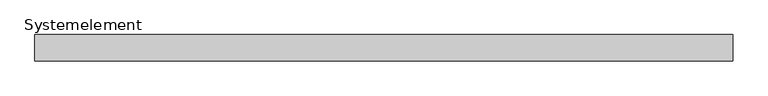
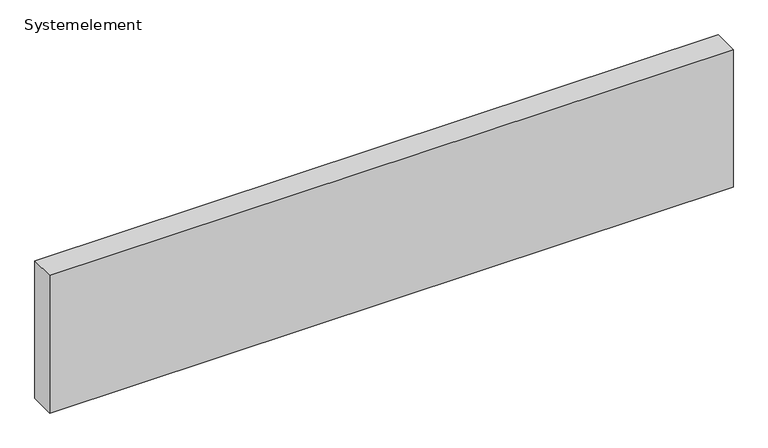
"""IFC4 building model written with IfcOpenShell, lengths in millimetres: plate geometry, Systemelement."""

import ifcopenshell
import ifcopenshell.guid

model = None  # the IFC model being written
_history = None  # IfcOwnerHistory: only IFC2X3 demands one
_inside = {}  # id of a spatial element -> (the spatial element, [elements in it])
_under = {}  # id of a project, library or spatial element -> (it, [spatial elements below it])
_declared = {}  # id of a project -> (the project, [libraries it declares])
_typed = {}  # id of a type object -> (the type object, [elements of that type])
_made_of = {}  # id of a material, layer set ... -> (it, [elements and type objects made of it])


def new_model(schema):
    """Start an empty IFC model of exactly this schema.

    Asked for "IFC4X3", IfcOpenShell would pick the latest addendum, in which some entities
    have other attributes; the version numbers below select the first issue.
    IFC2X3 requires an IfcOwnerHistory on every rooted entity: one is made here for all.
    """
    global model, _history
    if schema == "IFC4X3":
        model = ifcopenshell.file(schema_version=(4, 3, 0, 0))
    else:
        model = ifcopenshell.file(schema=schema)
    _inside.clear()
    _under.clear()
    _declared.clear()
    _typed.clear()
    _made_of.clear()
    _history = None
    if model.schema == "IFC2X3":
        org = make("IfcOrganization", Name="unknown")
        user = make(
            "IfcPersonAndOrganization",
            ThePerson=make("IfcPerson", FamilyName="unknown"),
            TheOrganization=org,
        )
        app = make(
            "IfcApplication",
            ApplicationDeveloper=org,
            Version="unknown",
            ApplicationFullName="unknown",
            ApplicationIdentifier="unknown",
        )
        _history = make(
            "IfcOwnerHistory",
            OwningUser=user,
            OwningApplication=app,
            ChangeAction="ADDED",
            CreationDate=0,
        )
    return model


def make(cls, **values):
    """One entity of the class cls with the attributes given. An attribute that is None is left unset."""
    return model.create_entity(
        cls, **{name: value for name, value in values.items() if value is not None}
    )


def rooted(cls, **values):
    """An entity with a GlobalId (a new one), such as an element, a storey or a relation."""
    return make(cls, GlobalId=ifcopenshell.guid.new(), OwnerHistory=_history, **values)


def si_unit(unit_type, name, prefix=None):
    """IfcSIUnit, for example si_unit("LENGTHUNIT", "METRE", prefix="MILLI")."""
    return make("IfcSIUnit", UnitType=unit_type, Prefix=prefix, Name=name)


def assignment(units):
    """IfcUnitAssignment: the units of a project."""
    return None if units is None else make("IfcUnitAssignment", Units=units)


def point(xyz):
    """IfcCartesianPoint."""
    return None if xyz is None else make("IfcCartesianPoint", Coordinates=xyz)


def direction(xyz):
    """IfcDirection."""
    return None if xyz is None else make("IfcDirection", DirectionRatios=xyz)


def frame(location, z_axis=None, x_axis=None):
    """IfcAxis2Placement3D, a coordinate frame: its origin and axes. An axis left out is left unset."""
    return make(
        "IfcAxis2Placement3D",
        Location=point(location),
        Axis=direction(z_axis),
        RefDirection=direction(x_axis),
    )


def origin():
    """The frame at (0, 0, 0) with its axes left unset."""
    return frame((0.0, 0.0, 0.0))


def origin_with_axes():
    """The frame at (0, 0, 0) with the z axis (0, 0, 1) and the x axis (1, 0, 0) written out."""
    return frame((0.0, 0.0, 0.0), z_axis=(0.0, 0.0, 1.0), x_axis=(1.0, 0.0, 0.0))


def place(relative_to, where):
    """IfcLocalPlacement: puts the frame where relative to a parent placement (None: the world)."""
    return make(
        "IfcLocalPlacement", PlacementRelTo=relative_to, RelativePlacement=where
    )


def context(
    kind, dimensions, precision=None, world=None, true_north=None, identifier=None
):
    """IfcGeometricRepresentationContext, for example the 3D "Model" context."""
    return make(
        "IfcGeometricRepresentationContext",
        ContextIdentifier=identifier,
        ContextType=kind,
        CoordinateSpaceDimension=dimensions,
        Precision=precision,
        WorldCoordinateSystem=world,
        TrueNorth=true_north,
    )


def project(units=None, contexts=None):
    """IfcProject with its units and contexts."""
    return rooted(
        "IfcProject",
        Name="project",
        RepresentationContexts=contexts,
        UnitsInContext=assignment(units),
    )


def spatial(cls, under=None, at=None, **own):
    """A site, building, storey or space (cls), placed at a placement, below another one or the project."""
    s = rooted(cls, ObjectPlacement=at, **own)
    if under is not None:
        _under.setdefault(under.id(), (under, []))[1].append(s)
    return s


def polyline(points):
    """IfcPolyline through the points."""
    return make("IfcPolyline", Points=[point(p) for p in points])


def outline(outer, holes=None, kind="AREA"):
    """IfcArbitraryClosedProfileDef: a profile drawn as a closed curve; with holes, ...WithVoids."""
    if holes is None:
        return make("IfcArbitraryClosedProfileDef", ProfileType=kind, OuterCurve=outer)
    return make(
        "IfcArbitraryProfileDefWithVoids",
        ProfileType=kind,
        OuterCurve=outer,
        InnerCurves=holes,
    )


def extrude(swept, where, along, depth):
    """IfcExtrudedAreaSolid: the profile swept, set in the frame where, extruded along a direction by depth."""
    return make(
        "IfcExtrudedAreaSolid",
        SweptArea=swept,
        Position=where,
        ExtrudedDirection=direction(along),
        Depth=depth,
    )


def shape(context_of_items, identifier, shape_type, items):
    """IfcShapeRepresentation: the items that make up one representation, for example the "Body"."""
    return make(
        "IfcShapeRepresentation",
        ContextOfItems=context_of_items,
        RepresentationIdentifier=identifier,
        RepresentationType=shape_type,
        Items=items,
    )


def source(mapping_origin, context_of_items, identifier, shape_type, items):
    """IfcRepresentationMap: a shape defined once, which mapped items show again and again."""
    return make(
        "IfcRepresentationMap",
        MappingOrigin=mapping_origin,
        MappedRepresentation=shape(context_of_items, identifier, shape_type, items),
    )


def transform(
    local_origin,
    x_axis=None,
    y_axis=None,
    z_axis=None,
    scale=None,
    scale2=None,
    scale3=None,
    uniform=True,
):
    """IfcCartesianTransformationOperator3D, or its non-uniform kind. x_axis, y_axis, z_axis: its Axis1, 2, 3."""
    if uniform:
        return make(
            "IfcCartesianTransformationOperator3D",
            Axis1=direction(x_axis),
            Axis2=direction(y_axis),
            LocalOrigin=point(local_origin),
            Scale=scale,
            Axis3=direction(z_axis),
        )
    return make(
        "IfcCartesianTransformationOperator3DnonUniform",
        Axis1=direction(x_axis),
        Axis2=direction(y_axis),
        LocalOrigin=point(local_origin),
        Scale=scale,
        Axis3=direction(z_axis),
        Scale2=scale2,
        Scale3=scale3,
    )


def mapped(mapping_source, mapping_target):
    """IfcMappedItem: shows the shape of a source again, moved by a transform."""
    return make(
        "IfcMappedItem", MappingSource=mapping_source, MappingTarget=mapping_target
    )


def made_of(thing, what):
    """Note that an element or type object is made of a material, layer set ...; save() writes the relation."""
    if what is not None:
        _made_of.setdefault(what.id(), (what, []))[1].append(thing)
    return thing


def element(
    cls,
    number,
    at=None,
    inside=None,
    cuts=None,
    type_object=None,
    material=None,
    context=None,
    identifier="Body",
    shape_type=None,
    held_by="IfcProductDefinitionShape",
    body=None,
    shapes=None,
    **own,
):
    """One element of the class cls, such as IfcWall. Its Tag is "e" and its number.

    at: its placement. inside: the storey or other place that contains it. cuts: it is an
    opening in that element (IfcRelVoidsElement). A single representation is given by context,
    identifier, shape_type and body (its items); several are given by shapes. held_by: the class
    of the entity that holds the representations. save() writes the other relations.
    """
    e = rooted(cls, Tag="e%d" % number, ObjectPlacement=at, **own)
    if body is not None:
        shapes = [shape(context, identifier, shape_type, body)]
    if shapes is not None:
        e.Representation = make(held_by, Representations=shapes)
    if inside is not None:
        _inside.setdefault(inside.id(), (inside, []))[1].append(e)
    if cuts is not None:
        rooted(
            "IfcRelVoidsElement", RelatingBuildingElement=cuts, RelatedOpeningElement=e
        )
    if type_object is not None:
        _typed.setdefault(type_object.id(), (type_object, []))[1].append(e)
    return made_of(e, material)


def aggregate(whole, parts):
    """IfcRelAggregates: a whole, such as a stair, and the parts it consists of."""
    return rooted("IfcRelAggregates", RelatingObject=whole, RelatedObjects=parts)


def save(model, path):
    """Write the relations noted so far, then the file.

    IfcRelAggregates (storeys below a building ...), IfcRelContainedInSpatialStructure (elements
    in a storey), IfcRelDefinesByType, IfcRelAssociatesMaterial and IfcRelDeclares: one each for
    every whole, place, type object, material and project.
    """
    for whole, parts in _under.values():
        aggregate(whole, parts)
    for where, things in _inside.values():
        rooted(
            "IfcRelContainedInSpatialStructure",
            RelatedElements=things,
            RelatingStructure=where,
        )
    for kind, things in _typed.values():
        rooted("IfcRelDefinesByType", RelatedObjects=things, RelatingType=kind)
    for what, things in _made_of.values():
        rooted("IfcRelAssociatesMaterial", RelatedObjects=things, RelatingMaterial=what)
    for by, libraries in _declared.values():
        rooted("IfcRelDeclares", RelatingContext=by, RelatedDefinitions=libraries)
    model.write(path)


def systemelement_99879ed4(model_context):
    return source(origin(), model_context, "Body", "SweptSolid", [
        extrude(outline(polyline([(2000.0, -150.0), (-2000.0, -150.0), (-2000.0, 0.0), (2000.0, 0.0), (2000.0, -150.0)])), origin_with_axes(), (0.0, 0.0, 1.0), 851.6147161),
    ])


if __name__ == "__main__":
    model = new_model("IFC4")
    model_context = context("Model", 3, world=origin())
    ifc_project = project(units=[si_unit("LENGTHUNIT", "METRE", prefix="MILLI")], contexts=[model_context])
    site = spatial("IfcSite", under=ifc_project)
    building = spatial("IfcBuilding", under=site)
    placement = place(None, origin())
    systemelement_shape = systemelement_99879ed4(model_context)
    element("IfcPlate", 1, ObjectType="Systemelement", at=placement, inside=building, context=model_context, shape_type="MappedRepresentation", body=[
        mapped(systemelement_shape, transform((0.0, 0.0, 0.0), x_axis=(1.0, 0.0, 0.0), y_axis=(0.0, 1.0, 0.0), z_axis=(0.0, 0.0, 1.0))),
    ])
    save(model, "model.ifc")
